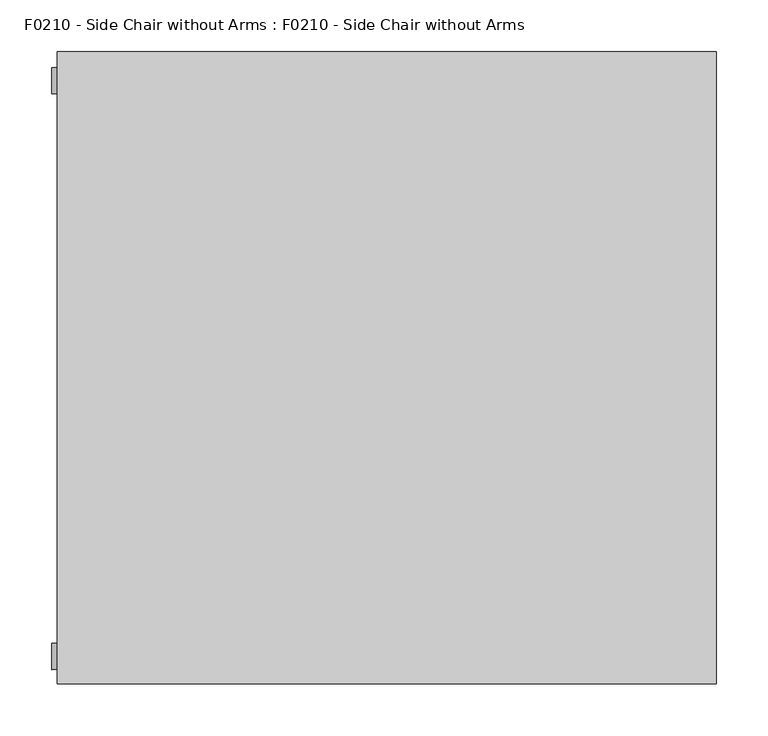
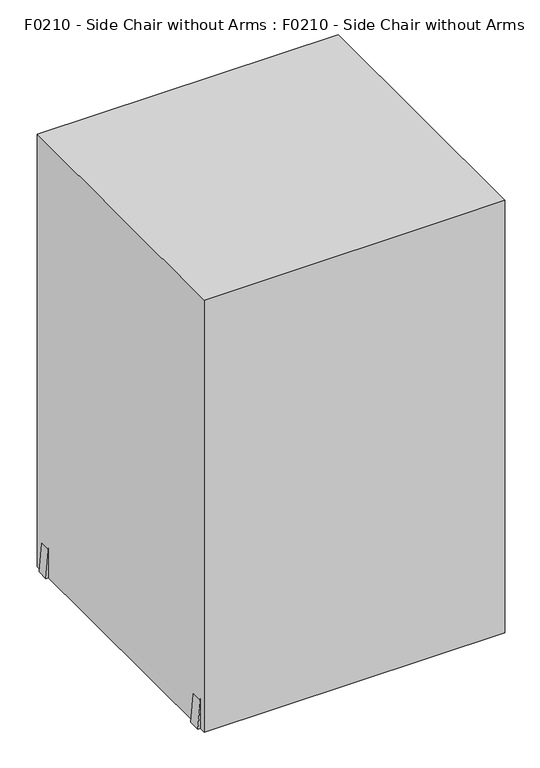
"""IFC4 building model written with IfcOpenShell, lengths in millimetres: proxy geometry, F0210 - Side Chair without Arms : F0210 - Side Chair without Arms."""

from ifc_helpers import new_model, si_unit, frame, origin, origin_with_axes, place, context, project, spatial, polyline, outline, extrude, source, transform, mapped, element, save


def f0210_side_chair_without_arms_f0210_side_chair_without_arms_98029575(model_context):
    return source(origin(), model_context, "Body", "SweptSolid", [
        extrude(outline(polyline([(505.0203406, 172.091969), (505.0203406, 146.691969), (0.5702145, 190.8256364), (0.5702145, 215.7010953), (505.0203406, 172.091969)])), frame((0.0, 264.3929274, 0.0), z_axis=(0.0, 1.0, 0.0), x_axis=(0.0, 0.0, 1.0)), (0.0, 0.0, 1.0), 25.4),
        extrude(outline(polyline([(642.1831371, -266.7616436), (0.0, -322.770228), (0.0, -294.9574611), (643.2059912, -249.9801167), (940.2581485, -278.8317785), (940.2581485, -295.7126518), (642.1831371, -266.7616436)])), frame((0.0, 264.3929274, 0.0), z_axis=(0.0, 1.0, 0.0), x_axis=(0.0, 0.0, 1.0)), (0.0, 0.0, 1.0), 25.4),
        extrude(outline(polyline([(505.0203406, 172.091969), (505.0203406, 146.691969), (0.5702145, 190.8256364), (0.5702145, 215.7010953), (505.0203406, 172.091969)])), frame((0.0, -290.8917348, 0.0), z_axis=(0.0, 1.0, 0.0), x_axis=(0.0, 0.0, 1.0)), (0.0, 0.0, 1.0), 25.4),
        extrude(outline(polyline([(642.1831371, -266.7616436), (0.0, -322.770228), (0.0, -294.9574611), (643.2059912, -249.9801167), (940.2581485, -278.8317785), (940.2581485, -295.7126518), (642.1831371, -266.7616436)])), frame((0.0, -290.8917348, 0.0), z_axis=(0.0, 1.0, 0.0), x_axis=(0.0, 0.0, 1.0)), (0.0, 0.0, 1.0), 25.4),
        extrude(outline(polyline([(949.5558695, -288.1891828), (949.0276678, -295.7428189), (920.9464532, -302.0388283), (890.9596762, -302.364601), (766.4444592, -291.4709311), (712.0444312, -282.2922915), (699.4048634, -275.0755148), (701.6800869, -249.0695909), (734.5347731, -247.5019251), (744.2301544, -248.5209507), (775.1826091, -252.8120869), (831.1136295, -257.7054171), (872.5802588, -261.3332771), (887.0899422, -262.6027099), (935.3234911, -264.152458), (946.525946, -265.1325458), (949.5558695, -288.1891828)])), frame((0.0, -267.8488342, 0.0), z_axis=(0.0, 1.0, 0.0), x_axis=(0.0, 0.0, 1.0)), (0.0, 0.0, 1.0), 536.2041409),
        extrude(outline(polyline([(-256.4009052, 523.5214117), (-241.6696752, 524.0358376), (0.2532363, 511.5153378), (242.1729901, 524.0426254), (256.8914817, 523.5286444), (268.3553067, 472.7447876), (248.2006555, 466.9655344), (0.2531025, 454.1861401), (-247.7015659, 466.8926254), (-267.8488342, 472.7447876), (-256.4009052, 523.5214117)])), frame((-276.0175852, 0.0, 0.0), z_axis=(1.0, 0.0, 0.0), x_axis=(0.0, 1.0, 0.0)), (0.0, 0.0, 1.0), 448.6997704),
        extrude(outline(polyline([(504.8449262, 147.1860068), (504.8449262, -258.5366203), (479.5415809, -260.4830005), (479.5415809, 149.3997627), (504.8449262, 147.1860068)])), frame((0.0, -290.8917348, 0.0), z_axis=(0.0, 1.0, 0.0), x_axis=(0.0, 0.0, 1.0)), (0.0, 0.0, 1.0), 25.4),
        extrude(outline(polyline([(504.8449262, 147.1860068), (504.8449262, -258.5366203), (479.5415809, -260.4830005), (479.5415809, 149.3997627), (504.8449262, 147.1860068)])), frame((0.0, 264.3929274, 0.0), z_axis=(0.0, 1.0, 0.0), x_axis=(0.0, 0.0, 1.0)), (0.0, 0.0, 1.0), 25.4),
        extrude(outline(polyline([(317.5, 304.8), (317.5, -304.8), (-317.5, -304.8), (-317.5, 304.8), (317.5, 304.8)])), origin_with_axes(), (0.0, 0.0, 1.0), 965.2),
    ])


if __name__ == "__main__":
    model = new_model("IFC4")
    model_context = context("Model", 3, world=origin())
    ifc_project = project(units=[si_unit("LENGTHUNIT", "METRE", prefix="MILLI")], contexts=[model_context])
    site = spatial("IfcSite", under=ifc_project)
    building = spatial("IfcBuilding", under=site)
    placement = place(None, origin())
    f0210_side_chair_without_arms_f0210_side_chair_without_arms_shape = f0210_side_chair_without_arms_f0210_side_chair_without_arms_98029575(model_context)
    element("IfcBuildingElementProxy", 1, Name="F0210 - Side Chair without Arms : F0210 - Side Chair without Arms", ObjectType="F0210 - Side Chair without Arms : F0210 - Side Chair without Arms", at=placement, inside=building, context=model_context, shape_type="MappedRepresentation", body=[
        mapped(f0210_side_chair_without_arms_f0210_side_chair_without_arms_shape, transform((0.0, 0.0, 0.0), x_axis=(1.0, 0.0, 0.0), y_axis=(0.0, 1.0, 0.0), z_axis=(0.0, 0.0, 1.0))),
    ])
    save(model, "model.ifc")
